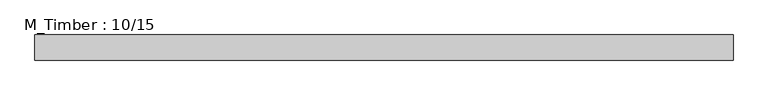
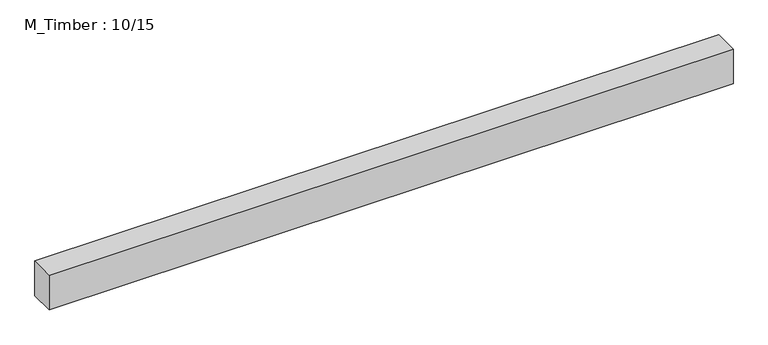
"""IFC4 building model written with IfcOpenShell, lengths in millimetres: beam geometry, M_Timber : 10/15."""

from ifc_helpers import new_model, si_unit, frame, origin, place, context, project, spatial, polyline, outline, extrude, source, transform, mapped, element, save


def m_timber_10_15_a7fc5705(model_context):
    return source(origin(), model_context, "Body", "SweptSolid", [
        extrude(outline(polyline([(1270.0, 50.0), (1270.0, -50.0), (-1510.0, -50.0), (-1510.0, 50.0), (1270.0, 50.0)])), frame((0.0, 0.0, -75.0), z_axis=(0.0, 0.0, 1.0), x_axis=(1.0, 0.0, 0.0)), (0.0, 0.0, 1.0), 150.0),
    ])


if __name__ == "__main__":
    model = new_model("IFC4")
    model_context = context("Model", 3, world=origin())
    ifc_project = project(units=[si_unit("LENGTHUNIT", "METRE", prefix="MILLI")], contexts=[model_context])
    site = spatial("IfcSite", under=ifc_project)
    building = spatial("IfcBuilding", under=site)
    placement = place(None, origin())
    m_timber_10_15_shape = m_timber_10_15_a7fc5705(model_context)
    element("IfcBeam", 1, ObjectType="M_Timber : 10/15", at=placement, inside=building, context=model_context, shape_type="MappedRepresentation", body=[
        mapped(m_timber_10_15_shape, transform((0.0, 0.0, 0.0), x_axis=(1.0, 0.0, 0.0), y_axis=(0.0, 1.0, 0.0), z_axis=(0.0, 0.0, 1.0))),
    ])
    save(model, "model.ifc")
